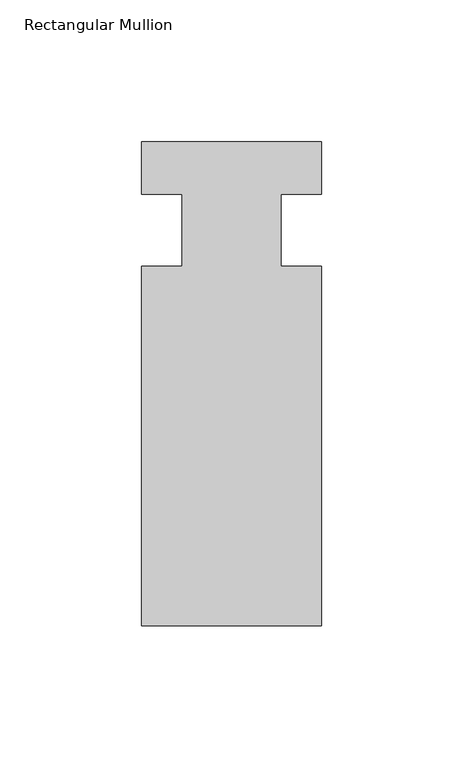
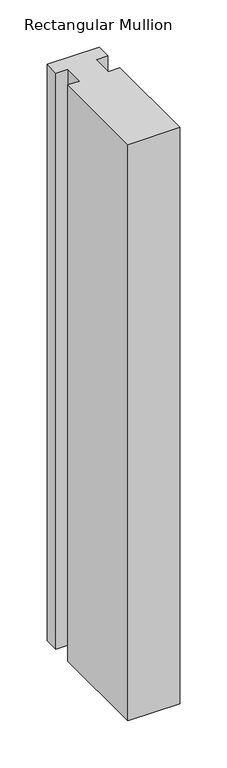
"""IFC4 building model written with IfcOpenShell, lengths in millimetres: member geometry, Rectangular Mullion."""

from ifc_helpers import new_model, si_unit, frame, origin, place, context, project, spatial, polyline, outline, extrude, source, transform, mapped, element, save


def rectangular_mullion_2431dfb4(model_context):
    return source(origin(), model_context, "Body", "SweptSolid", [
        extrude(outline(polyline([(-63.5, -139.6563438), (-63.5, -12.6563184), (-49.2125, -12.6563438), (-49.2125, 12.7436562), (-63.5, 12.7436562), (-63.5, 31.2539062), (0.0, 31.2539062), (0.0, 12.7436562), (-14.2875, 12.7436562), (-14.2875, -12.6563438), (0.0, -12.6563438), (0.0, -139.6563438), (-63.5, -139.6563438)])), frame((0.0, 0.0, -745.3019278), z_axis=(0.0, 0.0, 1.0), x_axis=(1.0, 0.0, 0.0)), (0.0, 0.0, 1.0), 745.3019278),
    ])


if __name__ == "__main__":
    model = new_model("IFC4")
    model_context = context("Model", 3, world=origin())
    ifc_project = project(units=[si_unit("LENGTHUNIT", "METRE", prefix="MILLI")], contexts=[model_context])
    site = spatial("IfcSite", under=ifc_project)
    building = spatial("IfcBuilding", under=site)
    placement = place(None, origin())
    rectangular_mullion_shape = rectangular_mullion_2431dfb4(model_context)
    element("IfcMember", 1, ObjectType="Rectangular Mullion", at=placement, inside=building, context=model_context, shape_type="MappedRepresentation", body=[
        mapped(rectangular_mullion_shape, transform((0.0, 0.0, 0.0), x_axis=(1.0, 0.0, 0.0), y_axis=(0.0, 1.0, 0.0), z_axis=(0.0, 0.0, 1.0))),
    ])
    save(model, "model.ifc")
